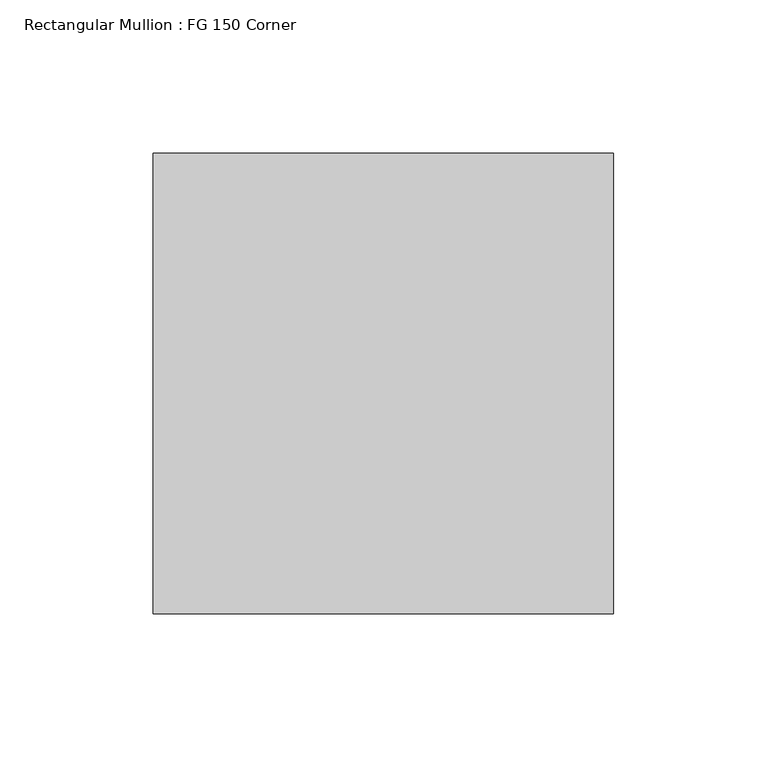
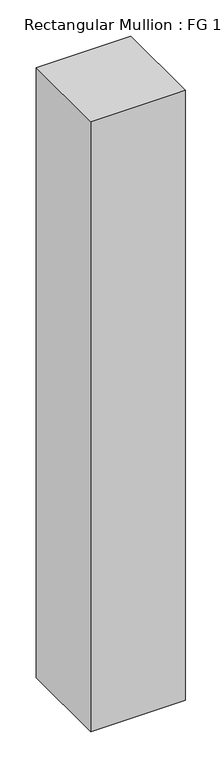
"""IFC4 building model written with IfcOpenShell, lengths in millimetres: member geometry, Rectangular Mullion : FG 150 Corner."""

from ifc_helpers import new_model, si_unit, frame, origin, place, context, project, spatial, polyline, outline, extrude, source, transform, mapped, element, save


def rectangular_mullion_fg_150_corner_0aa0c7f1(model_context):
    return source(origin(), model_context, "Body", "SweptSolid", [
        extrude(outline(polyline([(0.0, 75.0), (0.0, -75.0), (-150.0, -75.0), (-150.0, 75.0), (0.0, 75.0)])), frame((0.0, 0.0, -1025.0), z_axis=(0.0, 0.0, 1.0), x_axis=(1.0, 0.0, 0.0)), (0.0, 0.0, 1.0), 1025.0),
    ])


if __name__ == "__main__":
    model = new_model("IFC4")
    model_context = context("Model", 3, world=origin())
    ifc_project = project(units=[si_unit("LENGTHUNIT", "METRE", prefix="MILLI")], contexts=[model_context])
    site = spatial("IfcSite", under=ifc_project)
    building = spatial("IfcBuilding", under=site)
    placement = place(None, origin())
    rectangular_mullion_fg_150_corner_shape = rectangular_mullion_fg_150_corner_0aa0c7f1(model_context)
    element("IfcMember", 1, ObjectType="Rectangular Mullion : FG 150 Corner", at=placement, inside=building, context=model_context, shape_type="MappedRepresentation", body=[
        mapped(rectangular_mullion_fg_150_corner_shape, transform((0.0, 0.0, 0.0), x_axis=(1.0, 0.0, 0.0), y_axis=(0.0, 1.0, 0.0), z_axis=(0.0, 0.0, 1.0))),
    ])
    save(model, "model.ifc")
